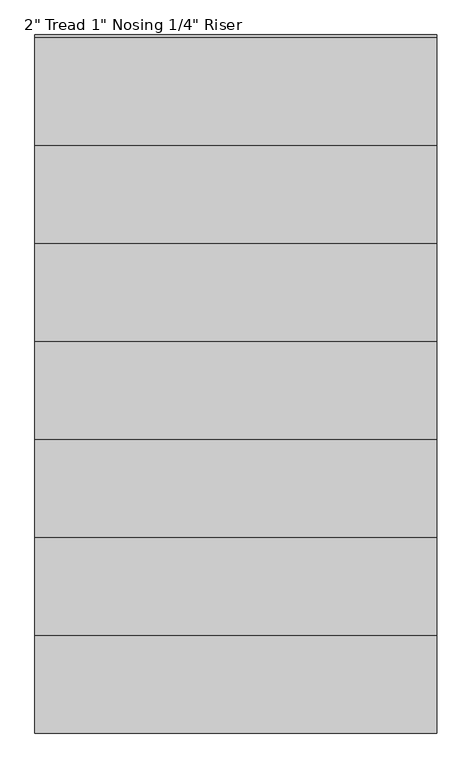
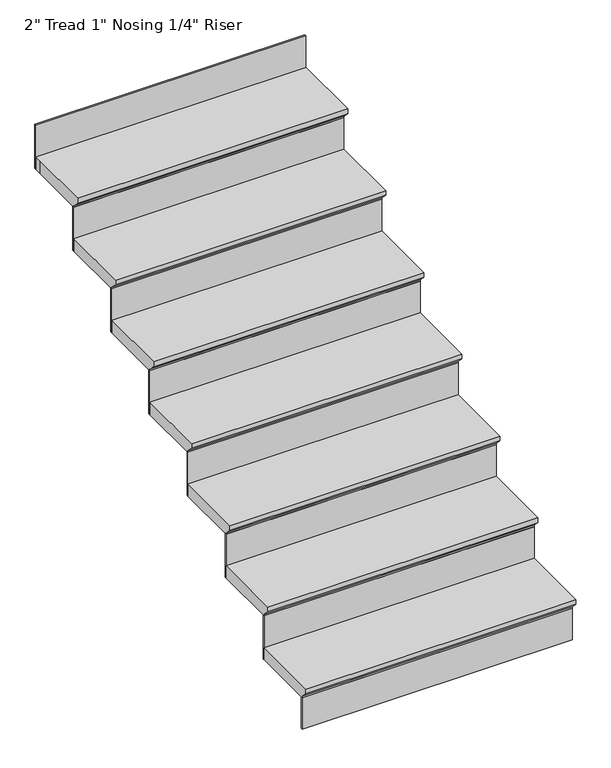
"""IFC4 building model written with IfcOpenShell, lengths in millimetres: stair flight geometry."""

from ifc_helpers import new_model, si_unit, origin, place, context, project, spatial, faceted_brep, source, transform, mapped, element, save


def stair_flight_7f260f01(model_context):
    return source(origin(), model_context, "Body", "Brep", [
        faceted_brep([(-950.4415084, 2184.5768749, 160.3375), (-950.4415084, 2184.5768749, 179.3875), (-1991.8415084, 2184.5768749, 179.3875), (-1991.8415084, 2184.5768749, 160.3375), (-950.4415084, 2209.9768749, 134.9375), (-1991.8415084, 2209.9768749, 134.9375), (-950.4415084, 2463.9768749, 179.3875), (-1991.8415084, 2463.9768749, 179.3875), (-1991.8415084, 2209.9768749, 128.5875), (-1991.8415084, 2463.9768749, 128.5875), (-950.4415084, 2463.9768749, 128.5875), (-950.4415084, 2209.9768749, 128.5875)], [[[0, 1, 2, 3]], [[4, 0, 3, 5]], [[2, 1, 6, 7]], [[8, 9, 10, 11]], [[2, 7, 9, 8, 5, 3]], [[8, 11, 4, 5]], [[6, 1, 0, 4, 11, 10]], [[7, 6, 10, 9]]]),
        faceted_brep([(-950.4415084, 2209.9768749, 128.5875), (-950.4415084, 2209.9768749, 0.0), (-950.4415084, 2216.3268749, 0.0), (-950.4415084, 2216.3268749, 128.5875), (-1991.8415084, 2209.9768749, 128.5875), (-1991.8415084, 2216.3268749, 128.5875), (-1991.8415084, 2216.3268749, 0.0), (-1991.8415084, 2209.9768749, 0.0)], [[[0, 1, 2, 3]], [[4, 5, 6, 7]], [[1, 0, 4, 7]], [[2, 1, 7, 6]], [[3, 2, 6, 5]], [[0, 3, 5, 4]]]),
        faceted_brep([(-950.4415084, 2463.9768749, 307.975), (-950.4415084, 2463.9768749, 128.5875), (-950.4415084, 2470.3268749, 128.5875), (-950.4415084, 2470.3268749, 307.975), (-1991.8415084, 2463.9768749, 307.975), (-1991.8415084, 2470.3268749, 307.975), (-1991.8415084, 2470.3268749, 128.5875), (-1991.8415084, 2463.9768749, 128.5875)], [[[0, 1, 2, 3]], [[4, 5, 6, 7]], [[1, 0, 4, 7]], [[2, 1, 7, 6]], [[3, 2, 6, 5]], [[0, 3, 5, 4]]]),
        faceted_brep([(-1991.8415084, 2438.5768749, 358.775), (-950.4415084, 2438.5768749, 358.775), (-950.4415084, 2717.9768749, 358.775), (-1991.8415084, 2717.9768749, 358.775), (-1991.8415084, 2463.9768749, 307.975), (-1991.8415084, 2717.9768749, 307.975), (-950.4415084, 2717.9768749, 307.975), (-950.4415084, 2463.9768749, 307.975), (-1991.8415084, 2463.9768749, 314.325), (-1991.8415084, 2438.5768749, 339.725), (-950.4415084, 2463.9768749, 314.325), (-950.4415084, 2438.5768749, 339.725)], [[[0, 1, 2, 3]], [[4, 5, 6, 7]], [[0, 3, 5, 4, 8, 9]], [[4, 7, 10, 8]], [[2, 1, 11, 10, 7, 6]], [[3, 2, 6, 5]], [[11, 1, 0, 9]], [[10, 11, 9, 8]]]),
        faceted_brep([(-950.4415084, 2717.9768749, 487.3625), (-950.4415084, 2717.9768749, 307.975), (-950.4415084, 2724.3268749, 307.975), (-950.4415084, 2724.3268749, 487.3625), (-1991.8415084, 2717.9768749, 487.3625), (-1991.8415084, 2724.3268749, 487.3625), (-1991.8415084, 2724.3268749, 307.975), (-1991.8415084, 2717.9768749, 307.975)], [[[0, 1, 2, 3]], [[4, 5, 6, 7]], [[1, 0, 4, 7]], [[2, 1, 7, 6]], [[3, 2, 6, 5]], [[0, 3, 5, 4]]]),
        faceted_brep([(-1991.8415084, 2692.5768749, 538.1625), (-950.4415084, 2692.5768749, 538.1625), (-950.4415084, 2971.9768749, 538.1625), (-1991.8415084, 2971.9768749, 538.1625), (-1991.8415084, 2717.9768749, 487.3625), (-1991.8415084, 2971.9768749, 487.3625), (-950.4415084, 2971.9768749, 487.3625), (-950.4415084, 2717.9768749, 487.3625), (-1991.8415084, 2717.9768749, 493.7125), (-1991.8415084, 2692.5768749, 519.1125), (-950.4415084, 2717.9768749, 493.7125), (-950.4415084, 2692.5768749, 519.1125)], [[[0, 1, 2, 3]], [[4, 5, 6, 7]], [[0, 3, 5, 4, 8, 9]], [[4, 7, 10, 8]], [[2, 1, 11, 10, 7, 6]], [[3, 2, 6, 5]], [[11, 1, 0, 9]], [[10, 11, 9, 8]]]),
        faceted_brep([(-950.4415084, 2971.9768749, 666.75), (-950.4415084, 2971.9768749, 487.3625), (-950.4415084, 2978.3268749, 487.3625), (-950.4415084, 2978.3268749, 666.75), (-1991.8415084, 2971.9768749, 666.75), (-1991.8415084, 2978.3268749, 666.75), (-1991.8415084, 2978.3268749, 487.3625), (-1991.8415084, 2971.9768749, 487.3625)], [[[0, 1, 2, 3]], [[4, 5, 6, 7]], [[1, 0, 4, 7]], [[2, 1, 7, 6]], [[3, 2, 6, 5]], [[0, 3, 5, 4]]]),
        faceted_brep([(-1991.8415084, 2946.5768749, 717.55), (-950.4415084, 2946.5768749, 717.55), (-950.4415084, 3225.9768749, 717.55), (-1991.8415084, 3225.9768749, 717.55), (-1991.8415084, 2971.9768749, 666.75), (-1991.8415084, 3225.9768749, 666.75), (-950.4415084, 3225.9768749, 666.75), (-950.4415084, 2971.9768749, 666.75), (-1991.8415084, 2971.9768749, 673.1), (-1991.8415084, 2946.5768749, 698.5), (-950.4415084, 2971.9768749, 673.1), (-950.4415084, 2946.5768749, 698.5)], [[[0, 1, 2, 3]], [[4, 5, 6, 7]], [[0, 3, 5, 4, 8, 9]], [[4, 7, 10, 8]], [[2, 1, 11, 10, 7, 6]], [[3, 2, 6, 5]], [[11, 1, 0, 9]], [[10, 11, 9, 8]]]),
        faceted_brep([(-950.4415084, 3225.9768749, 846.1375), (-950.4415084, 3225.9768749, 666.75), (-950.4415084, 3232.3268749, 666.75), (-950.4415084, 3232.3268749, 846.1375), (-1991.8415084, 3225.9768749, 846.1375), (-1991.8415084, 3232.3268749, 846.1375), (-1991.8415084, 3232.3268749, 666.75), (-1991.8415084, 3225.9768749, 666.75)], [[[0, 1, 2, 3]], [[4, 5, 6, 7]], [[1, 0, 4, 7]], [[2, 1, 7, 6]], [[3, 2, 6, 5]], [[0, 3, 5, 4]]]),
        faceted_brep([(-1991.8415084, 3200.5768749, 896.9375), (-950.4415084, 3200.5768749, 896.9375), (-950.4415084, 3479.9768749, 896.9375), (-1991.8415084, 3479.9768749, 896.9375), (-1991.8415084, 3225.9768749, 846.1375), (-1991.8415084, 3479.9768749, 846.1375), (-950.4415084, 3479.9768749, 846.1375), (-950.4415084, 3225.9768749, 846.1375), (-1991.8415084, 3225.9768749, 852.4875), (-1991.8415084, 3200.5768749, 877.8875), (-950.4415084, 3225.9768749, 852.4875), (-950.4415084, 3200.5768749, 877.8875)], [[[0, 1, 2, 3]], [[4, 5, 6, 7]], [[0, 3, 5, 4, 8, 9]], [[4, 7, 10, 8]], [[2, 1, 11, 10, 7, 6]], [[3, 2, 6, 5]], [[11, 1, 0, 9]], [[10, 11, 9, 8]]]),
        faceted_brep([(-950.4415084, 3479.9768749, 1025.525), (-950.4415084, 3479.9768749, 846.1375), (-950.4415084, 3486.3268749, 846.1375), (-950.4415084, 3486.3268749, 1025.525), (-1991.8415084, 3479.9768749, 1025.525), (-1991.8415084, 3486.3268749, 1025.525), (-1991.8415084, 3486.3268749, 846.1375), (-1991.8415084, 3479.9768749, 846.1375)], [[[0, 1, 2, 3]], [[4, 5, 6, 7]], [[1, 0, 4, 7]], [[2, 1, 7, 6]], [[3, 2, 6, 5]], [[0, 3, 5, 4]]]),
        faceted_brep([(-1991.8415084, 3454.5768749, 1076.325), (-950.4415084, 3454.5768749, 1076.325), (-950.4415084, 3733.9768749, 1076.325), (-1991.8415084, 3733.9768749, 1076.325), (-1991.8415084, 3479.9768749, 1025.525), (-1991.8415084, 3733.9768749, 1025.525), (-950.4415084, 3733.9768749, 1025.525), (-950.4415084, 3479.9768749, 1025.525), (-1991.8415084, 3479.9768749, 1031.875), (-1991.8415084, 3454.5768749, 1057.275), (-950.4415084, 3479.9768749, 1031.875), (-950.4415084, 3454.5768749, 1057.275)], [[[0, 1, 2, 3]], [[4, 5, 6, 7]], [[0, 3, 5, 4, 8, 9]], [[4, 7, 10, 8]], [[2, 1, 11, 10, 7, 6]], [[3, 2, 6, 5]], [[11, 1, 0, 9]], [[10, 11, 9, 8]]]),
        faceted_brep([(-950.4415084, 3987.9768749, 1384.3), (-950.4415084, 3987.9768749, 1204.9125), (-950.4415084, 3994.3268749, 1204.9125), (-950.4415084, 3994.3268749, 1384.3), (-1991.8415084, 3987.9768749, 1384.3), (-1991.8415084, 3994.3268749, 1384.3), (-1991.8415084, 3994.3268749, 1204.9125), (-1991.8415084, 3987.9768749, 1204.9125)], [[[0, 1, 2, 3]], [[4, 5, 6, 7]], [[1, 0, 4, 7]], [[2, 1, 7, 6]], [[3, 2, 6, 5]], [[0, 3, 5, 4]]]),
        faceted_brep([(-950.4415084, 3733.9768749, 1204.9125), (-950.4415084, 3733.9768749, 1025.525), (-950.4415084, 3740.3268749, 1025.525), (-950.4415084, 3740.3268749, 1204.9125), (-1991.8415084, 3733.9768749, 1204.9125), (-1991.8415084, 3740.3268749, 1204.9125), (-1991.8415084, 3740.3268749, 1025.525), (-1991.8415084, 3733.9768749, 1025.525)], [[[0, 1, 2, 3]], [[4, 5, 6, 7]], [[1, 0, 4, 7]], [[2, 1, 7, 6]], [[3, 2, 6, 5]], [[0, 3, 5, 4]]]),
        faceted_brep([(-1991.8415084, 3987.9768749, 1255.7125), (-1991.8415084, 3962.5768749, 1255.7125), (-1991.8415084, 3708.5768749, 1255.7125), (-950.4415084, 3708.5768749, 1255.7125), (-950.4415084, 3987.9768749, 1255.7125), (-1991.8415084, 3962.5768749, 1204.9125), (-1991.8415084, 3987.9768749, 1204.9125), (-950.4415084, 3987.9768749, 1204.9125), (-950.4415084, 3733.9768749, 1204.9125), (-1991.8415084, 3733.9768749, 1204.9125), (-1991.8415084, 3733.9768749, 1211.2625), (-1991.8415084, 3708.5768749, 1236.6625), (-950.4415084, 3733.9768749, 1211.2625), (-950.4415084, 3708.5768749, 1236.6625)], [[[0, 1, 2, 3, 4]], [[5, 6, 7, 8, 9]], [[1, 0, 6, 5]], [[2, 1, 5, 9, 10, 11]], [[9, 8, 12, 10]], [[4, 3, 13, 12, 8, 7]], [[0, 4, 7, 6]], [[13, 3, 2, 11]], [[12, 13, 11, 10]]]),
    ])


if __name__ == "__main__":
    model = new_model("IFC4")
    model_context = context("Model", 3, world=origin())
    ifc_project = project(units=[si_unit("LENGTHUNIT", "METRE", prefix="MILLI")], contexts=[model_context])
    site = spatial("IfcSite", under=ifc_project)
    building = spatial("IfcBuilding", under=site)
    placement = place(None, origin())
    stair_flight_shape = stair_flight_7f260f01(model_context)
    element("IfcStairFlight", 1, ObjectType="2\" Tread 1\" Nosing 1/4\" Riser", at=placement, inside=building, context=model_context, shape_type="MappedRepresentation", body=[
        mapped(stair_flight_shape, transform((0.0, 0.0, 0.0), x_axis=(1.0, 0.0, 0.0), y_axis=(0.0, 1.0, 0.0), z_axis=(0.0, 0.0, 1.0))),
    ])
    save(model, "model.ifc")
